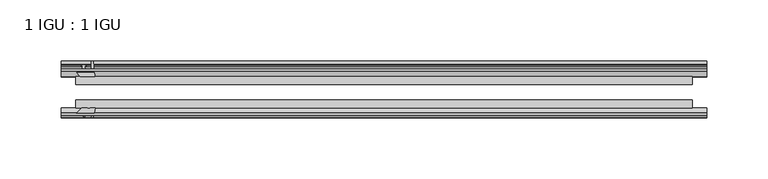
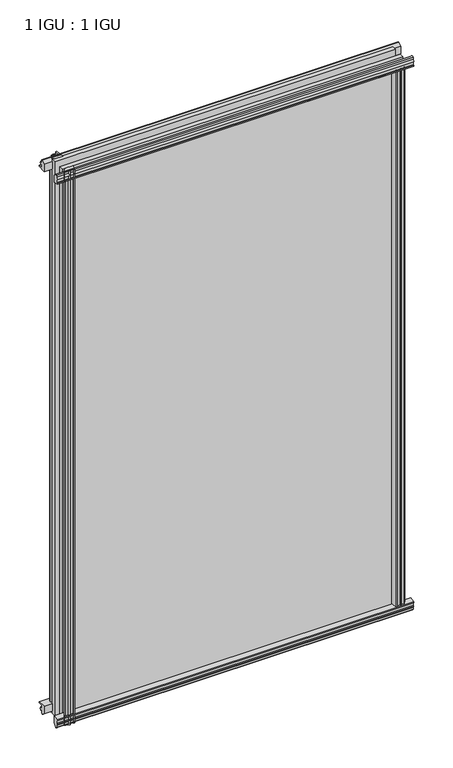
"""IFC4 building model written with IfcOpenShell, lengths in millimetres: plate geometry, 1 IGU : 1 IGU."""

from ifc_helpers import new_model, si_unit, point, frame, frame_2d, origin, origin_with_axes, place, context, project, spatial, polyline, circle_curve, trimmed, segment, composite_curve, outline, extrude, source, transform, mapped, element, save


def plate_1_igu_1_igu_6e89ad7a(model_context):
    return source(origin(), model_context, "Body", "SweptSolid", [
        extrude(outline(polyline([(-24.9039062, 2.5763839), (-12.2039062, 1.5739665), (-12.2039062, 0.0), (-18.5539062, 0.0), (-18.5539062, -4.953), (-16.254502, -5.5691235), (-16.6301757, -4.1670901), (-15.7714677, -3.937), (-15.1249062, -6.35), (-15.7714677, -8.763), (-16.6301757, -8.5329099), (-16.254502, -7.1308765), (-18.5539062, -7.747), (-18.5539062, -12.7), (-20.5859062, -12.7), (-24.9039062, -9.1036931), (-24.9039062, 2.5763839)])), frame((-263.8117253, 0.0, 0.0), z_axis=(1.0, 0.0, 0.0), x_axis=(0.0, 1.0, 0.0)), (0.0, 0.0, 1.0), 525.9367319),
        extrude(outline(composite_curve([segment(polyline([(-58.2287402, 1.5687054), (-50.3039062, 3.0983599), (-50.3039062, -7.92383), (-54.4858806, -12.1058044)]), True, "CONTINUOUS"), segment(trimmed(circle_curve(frame_2d((-55.3839062, -11.2077788)), 1.27), [point((-54.4858806, -12.1058044))], [point((-56.6539062, -11.2077788))], False, "CARTESIAN"), True, "CONTINUOUS"), segment(polyline([(-56.6539062, -11.2077788), (-56.6539062, -8.0327788), (-58.1332022, -5.4488186), (-56.6539062, -5.1879788), (-56.6539062, 0.2222212), (-58.2287402, 0.0), (-58.2287402, 1.5687054)]), True, "CONTINUOUS")], self_intersect=False)), frame((-263.8117253, 0.0, 0.0), z_axis=(1.0, 0.0, 0.0), x_axis=(0.0, 1.0, 0.0)), (0.0, 0.0, 1.0), 525.9367319),
        extrude(outline(polyline([(-18.5539063, 845.956525), (-16.254502, 845.3404015), (-16.6301757, 846.7424349), (-15.7714677, 846.972525), (-15.1249063, 844.559525), (-15.7714677, 842.146525), (-16.6301757, 842.3766151), (-16.254502, 843.7786485), (-18.5539063, 843.162525), (-18.5539063, 838.209525), (-12.2039062, 838.209525), (-12.2039062, 836.6355585), (-24.9039063, 835.6331411), (-24.9039063, 847.3132181), (-20.5859063, 850.909525), (-18.5539063, 850.909525), (-18.5539063, 845.956525)])), frame((-263.8117253, 0.0, 0.0), z_axis=(1.0, 0.0, 0.0), x_axis=(0.0, 1.0, 0.0)), (0.0, 0.0, 1.0), 525.9367319),
        extrude(outline(composite_curve([segment(polyline([(-50.3039063, 846.133355), (-50.3039063, 835.1111651), (-58.2287402, 836.6408196), (-58.2287402, 838.209525), (-56.6539063, 837.9873038), (-56.6539063, 843.3975038), (-58.1332023, 843.6583436), (-56.6539063, 846.2423038), (-56.6539063, 849.4173038)]), True, "CONTINUOUS"), segment(trimmed(circle_curve(frame_2d((-55.3839063, 849.4173038)), 1.27), [point((-56.6539063, 849.4173038))], [point((-54.4858806, 850.3153294))], False, "CARTESIAN"), True, "CONTINUOUS"), segment(polyline([(-54.4858806, 850.3153294), (-50.3039063, 846.133355)]), True, "CONTINUOUS")], self_intersect=False)), frame((-263.8117253, 0.0, 0.0), z_axis=(1.0, 0.0, 0.0), x_axis=(0.0, 1.0, 0.0)), (0.0, 0.0, 1.0), 525.9367319),
        extrude(outline(composite_curve([segment(polyline([(235.8321626, -57.3876965), (234.4648466, -50.3039063), (245.4870366, -50.3039063), (249.669011, -54.4858806)]), True, "CONTINUOUS"), segment(trimmed(circle_curve(frame_2d((248.7709854, -55.3839062)), 1.27), [point((249.669011, -54.4858806))], [point((248.7709854, -56.6539062))], False, "CARTESIAN"), True, "CONTINUOUS"), segment(polyline([(248.7709854, -56.6539062), (245.5959854, -56.6539063), (243.0120252, -58.1332023), (242.7511854, -56.6539063), (237.3409854, -56.6539063), (237.5632066, -58.2287402), (236.5988858, -58.2014026)]), True, "CONTINUOUS"), segment(trimmed(circle_curve(frame_2d((236.8329854, -57.2127402)), 1.016), [point((236.5988858, -58.2014026))], [point((235.8321626, -57.3876965))], False, "CARTESIAN"), True, "CONTINUOUS")], self_intersect=False)), origin_with_axes(), (0.0, 0.0, 1.0), 838.6064),
        extrude(outline(polyline([(242.5162066, -18.5539062), (243.1323301, -16.254502), (241.7302967, -16.6301757), (241.5002066, -15.7714677), (243.9132066, -15.1249062), (246.3262066, -15.7714677), (246.0961164, -16.6301757), (244.6940831, -16.254502), (245.3102066, -18.5539062), (250.2632066, -18.5539062), (250.2632066, -20.5859062), (246.6668997, -24.9039063), (234.9868226, -24.9039063), (235.98924, -12.2039062), (237.5632066, -12.2039062), (237.5632066, -18.5539062), (242.5162066, -18.5539062)])), origin_with_axes(), (0.0, 0.0, 1.0), 838.6064),
        extrude(outline(composite_curve([segment(polyline([(-247.2827041, -56.6539062), (-250.4577041, -56.6539062)]), True, "CONTINUOUS"), segment(trimmed(circle_curve(frame_2d((-250.4577041, -55.3839062)), 1.27), [point((-250.4577041, -56.6539062))], [point((-251.3557297, -54.4858806))], False, "CARTESIAN"), True, "CONTINUOUS"), segment(polyline([(-251.3557297, -54.4858806), (-247.1737553, -50.3039062), (-243.5042099, -50.3039062)]), True, "CONTINUOUS"), segment(trimmed(circle_curve(frame_2d((-241.4407041, -46.3669062)), 4.445), [point((-243.5042099, -50.3039062))], [point((-239.3771984, -50.3039062))], True, "CARTESIAN"), True, "CONTINUOUS"), segment(polyline([(-239.3771984, -50.3039062), (-236.1515654, -50.3039062), (-237.6812199, -58.2287402), (-239.2499253, -58.2287402), (-239.0277041, -56.6539062), (-244.4379041, -56.6539062), (-244.6987439, -58.1332022), (-247.2827041, -56.6539062)]), True, "CONTINUOUS")], self_intersect=False)), frame((0.0, 0.0, -12.7), z_axis=(0.0, 0.0, 1.0), x_axis=(1.0, 0.0, 0.0)), (0.0, 0.0, 1.0), 863.609525),
        extrude(outline(polyline([(-236.6735414, -24.9039062), (-248.3536184, -24.9039062), (-251.9499253, -20.5859062), (-251.9499253, -18.5539062), (-246.9969253, -18.5539062), (-246.3808018, -16.254502), (-247.7828352, -16.6301757), (-248.0129253, -15.7714677), (-245.5999253, -15.1249062), (-243.1869253, -15.7714677), (-243.4170155, -16.6301757), (-244.8190488, -16.254502), (-244.2029253, -18.5539062), (-239.2499253, -18.5539062), (-239.2499253, -12.2039062), (-237.6759588, -12.2039062), (-236.6735414, -24.9039062)])), frame((0.0, 0.0, -12.7), z_axis=(0.0, 0.0, 1.0), x_axis=(1.0, 0.0, 0.0)), (0.0, 0.0, 1.0), 863.609525),
        extrude(outline(polyline([(250.2632066, -24.9039062), (250.2632066, -31.2031063), (-251.9499253, -31.2031063), (-251.9499253, -24.9039062), (250.2632066, -24.9039062)])), frame((0.0, 0.0, -12.7), z_axis=(0.0, 0.0, 1.0), x_axis=(1.0, 0.0, 0.0)), (0.0, 0.0, 1.0), 863.609525),
        extrude(outline(polyline([(-251.9499253, -44.0047063), (250.2632066, -44.0047063), (250.2632066, -50.3039062), (-251.9499253, -50.3039062), (-251.9499253, -44.0047063)])), frame((0.0, 0.0, -12.7), z_axis=(0.0, 0.0, 1.0), x_axis=(1.0, 0.0, 0.0)), (0.0, 0.0, 1.0), 863.609525),
    ])


if __name__ == "__main__":
    model = new_model("IFC4")
    model_context = context("Model", 3, world=origin())
    ifc_project = project(units=[si_unit("LENGTHUNIT", "METRE", prefix="MILLI")], contexts=[model_context])
    site = spatial("IfcSite", under=ifc_project)
    building = spatial("IfcBuilding", under=site)
    placement = place(None, origin())
    plate_1_igu_1_igu_shape = plate_1_igu_1_igu_6e89ad7a(model_context)
    element("IfcPlate", 1, ObjectType="1 IGU : 1 IGU", at=placement, inside=building, context=model_context, shape_type="MappedRepresentation", body=[
        mapped(plate_1_igu_1_igu_shape, transform((0.0, 0.0, 0.0), x_axis=(1.0, 0.0, 0.0), y_axis=(0.0, 1.0, 0.0), z_axis=(0.0, 0.0, 1.0))),
    ])
    save(model, "model.ifc")
